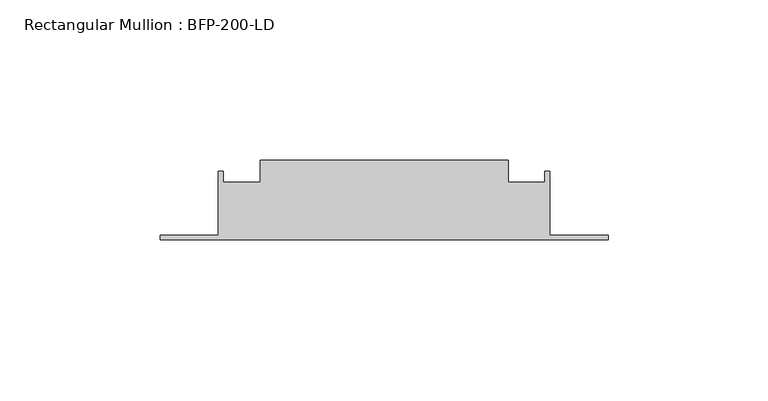
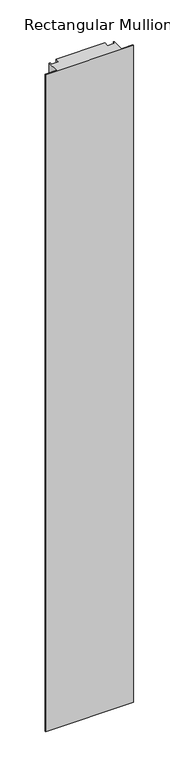
"""IFC4 building model written with IfcOpenShell, lengths in millimetres: member geometry, Rectangular Mullion : BFP-200-LD."""

import ifcopenshell
import ifcopenshell.guid

model = None  # the IFC model being written
_history = None  # IfcOwnerHistory: only IFC2X3 demands one
_inside = {}  # id of a spatial element -> (the spatial element, [elements in it])
_under = {}  # id of a project, library or spatial element -> (it, [spatial elements below it])
_declared = {}  # id of a project -> (the project, [libraries it declares])
_typed = {}  # id of a type object -> (the type object, [elements of that type])
_made_of = {}  # id of a material, layer set ... -> (it, [elements and type objects made of it])


def new_model(schema):
    """Start an empty IFC model of exactly this schema.

    Asked for "IFC4X3", IfcOpenShell would pick the latest addendum, in which some entities
    have other attributes; the version numbers below select the first issue.
    IFC2X3 requires an IfcOwnerHistory on every rooted entity: one is made here for all.
    """
    global model, _history
    if schema == "IFC4X3":
        model = ifcopenshell.file(schema_version=(4, 3, 0, 0))
    else:
        model = ifcopenshell.file(schema=schema)
    _inside.clear()
    _under.clear()
    _declared.clear()
    _typed.clear()
    _made_of.clear()
    _history = None
    if model.schema == "IFC2X3":
        org = make("IfcOrganization", Name="unknown")
        user = make(
            "IfcPersonAndOrganization",
            ThePerson=make("IfcPerson", FamilyName="unknown"),
            TheOrganization=org,
        )
        app = make(
            "IfcApplication",
            ApplicationDeveloper=org,
            Version="unknown",
            ApplicationFullName="unknown",
            ApplicationIdentifier="unknown",
        )
        _history = make(
            "IfcOwnerHistory",
            OwningUser=user,
            OwningApplication=app,
            ChangeAction="ADDED",
            CreationDate=0,
        )
    return model


def make(cls, **values):
    """One entity of the class cls with the attributes given. An attribute that is None is left unset."""
    return model.create_entity(
        cls, **{name: value for name, value in values.items() if value is not None}
    )


def rooted(cls, **values):
    """An entity with a GlobalId (a new one), such as an element, a storey or a relation."""
    return make(cls, GlobalId=ifcopenshell.guid.new(), OwnerHistory=_history, **values)


def si_unit(unit_type, name, prefix=None):
    """IfcSIUnit, for example si_unit("LENGTHUNIT", "METRE", prefix="MILLI")."""
    return make("IfcSIUnit", UnitType=unit_type, Prefix=prefix, Name=name)


def assignment(units):
    """IfcUnitAssignment: the units of a project."""
    return None if units is None else make("IfcUnitAssignment", Units=units)


def point(xyz):
    """IfcCartesianPoint."""
    return None if xyz is None else make("IfcCartesianPoint", Coordinates=xyz)


def direction(xyz):
    """IfcDirection."""
    return None if xyz is None else make("IfcDirection", DirectionRatios=xyz)


def frame(location, z_axis=None, x_axis=None):
    """IfcAxis2Placement3D, a coordinate frame: its origin and axes. An axis left out is left unset."""
    return make(
        "IfcAxis2Placement3D",
        Location=point(location),
        Axis=direction(z_axis),
        RefDirection=direction(x_axis),
    )


def origin():
    """The frame at (0, 0, 0) with its axes left unset."""
    return frame((0.0, 0.0, 0.0))


def place(relative_to, where):
    """IfcLocalPlacement: puts the frame where relative to a parent placement (None: the world)."""
    return make(
        "IfcLocalPlacement", PlacementRelTo=relative_to, RelativePlacement=where
    )


def context(
    kind, dimensions, precision=None, world=None, true_north=None, identifier=None
):
    """IfcGeometricRepresentationContext, for example the 3D "Model" context."""
    return make(
        "IfcGeometricRepresentationContext",
        ContextIdentifier=identifier,
        ContextType=kind,
        CoordinateSpaceDimension=dimensions,
        Precision=precision,
        WorldCoordinateSystem=world,
        TrueNorth=true_north,
    )


def project(units=None, contexts=None):
    """IfcProject with its units and contexts."""
    return rooted(
        "IfcProject",
        Name="project",
        RepresentationContexts=contexts,
        UnitsInContext=assignment(units),
    )


def spatial(cls, under=None, at=None, **own):
    """A site, building, storey or space (cls), placed at a placement, below another one or the project."""
    s = rooted(cls, ObjectPlacement=at, **own)
    if under is not None:
        _under.setdefault(under.id(), (under, []))[1].append(s)
    return s


def polyline(points):
    """IfcPolyline through the points."""
    return make("IfcPolyline", Points=[point(p) for p in points])


def outline(outer, holes=None, kind="AREA"):
    """IfcArbitraryClosedProfileDef: a profile drawn as a closed curve; with holes, ...WithVoids."""
    if holes is None:
        return make("IfcArbitraryClosedProfileDef", ProfileType=kind, OuterCurve=outer)
    return make(
        "IfcArbitraryProfileDefWithVoids",
        ProfileType=kind,
        OuterCurve=outer,
        InnerCurves=holes,
    )


def extrude(swept, where, along, depth):
    """IfcExtrudedAreaSolid: the profile swept, set in the frame where, extruded along a direction by depth."""
    return make(
        "IfcExtrudedAreaSolid",
        SweptArea=swept,
        Position=where,
        ExtrudedDirection=direction(along),
        Depth=depth,
    )


def shape(context_of_items, identifier, shape_type, items):
    """IfcShapeRepresentation: the items that make up one representation, for example the "Body"."""
    return make(
        "IfcShapeRepresentation",
        ContextOfItems=context_of_items,
        RepresentationIdentifier=identifier,
        RepresentationType=shape_type,
        Items=items,
    )


def source(mapping_origin, context_of_items, identifier, shape_type, items):
    """IfcRepresentationMap: a shape defined once, which mapped items show again and again."""
    return make(
        "IfcRepresentationMap",
        MappingOrigin=mapping_origin,
        MappedRepresentation=shape(context_of_items, identifier, shape_type, items),
    )


def transform(
    local_origin,
    x_axis=None,
    y_axis=None,
    z_axis=None,
    scale=None,
    scale2=None,
    scale3=None,
    uniform=True,
):
    """IfcCartesianTransformationOperator3D, or its non-uniform kind. x_axis, y_axis, z_axis: its Axis1, 2, 3."""
    if uniform:
        return make(
            "IfcCartesianTransformationOperator3D",
            Axis1=direction(x_axis),
            Axis2=direction(y_axis),
            LocalOrigin=point(local_origin),
            Scale=scale,
            Axis3=direction(z_axis),
        )
    return make(
        "IfcCartesianTransformationOperator3DnonUniform",
        Axis1=direction(x_axis),
        Axis2=direction(y_axis),
        LocalOrigin=point(local_origin),
        Scale=scale,
        Axis3=direction(z_axis),
        Scale2=scale2,
        Scale3=scale3,
    )


def mapped(mapping_source, mapping_target):
    """IfcMappedItem: shows the shape of a source again, moved by a transform."""
    return make(
        "IfcMappedItem", MappingSource=mapping_source, MappingTarget=mapping_target
    )


def made_of(thing, what):
    """Note that an element or type object is made of a material, layer set ...; save() writes the relation."""
    if what is not None:
        _made_of.setdefault(what.id(), (what, []))[1].append(thing)
    return thing


def element(
    cls,
    number,
    at=None,
    inside=None,
    cuts=None,
    type_object=None,
    material=None,
    context=None,
    identifier="Body",
    shape_type=None,
    held_by="IfcProductDefinitionShape",
    body=None,
    shapes=None,
    **own,
):
    """One element of the class cls, such as IfcWall. Its Tag is "e" and its number.

    at: its placement. inside: the storey or other place that contains it. cuts: it is an
    opening in that element (IfcRelVoidsElement). A single representation is given by context,
    identifier, shape_type and body (its items); several are given by shapes. held_by: the class
    of the entity that holds the representations. save() writes the other relations.
    """
    e = rooted(cls, Tag="e%d" % number, ObjectPlacement=at, **own)
    if body is not None:
        shapes = [shape(context, identifier, shape_type, body)]
    if shapes is not None:
        e.Representation = make(held_by, Representations=shapes)
    if inside is not None:
        _inside.setdefault(inside.id(), (inside, []))[1].append(e)
    if cuts is not None:
        rooted(
            "IfcRelVoidsElement", RelatingBuildingElement=cuts, RelatedOpeningElement=e
        )
    if type_object is not None:
        _typed.setdefault(type_object.id(), (type_object, []))[1].append(e)
    return made_of(e, material)


def aggregate(whole, parts):
    """IfcRelAggregates: a whole, such as a stair, and the parts it consists of."""
    return rooted("IfcRelAggregates", RelatingObject=whole, RelatedObjects=parts)


def save(model, path):
    """Write the relations noted so far, then the file.

    IfcRelAggregates (storeys below a building ...), IfcRelContainedInSpatialStructure (elements
    in a storey), IfcRelDefinesByType, IfcRelAssociatesMaterial and IfcRelDeclares: one each for
    every whole, place, type object, material and project.
    """
    for whole, parts in _under.values():
        aggregate(whole, parts)
    for where, things in _inside.values():
        rooted(
            "IfcRelContainedInSpatialStructure",
            RelatedElements=things,
            RelatingStructure=where,
        )
    for kind, things in _typed.values():
        rooted("IfcRelDefinesByType", RelatedObjects=things, RelatingType=kind)
    for what, things in _made_of.values():
        rooted("IfcRelAssociatesMaterial", RelatedObjects=things, RelatingMaterial=what)
    for by, libraries in _declared.values():
        rooted("IfcRelDeclares", RelatingContext=by, RelatedDefinitions=libraries)
    model.write(path)


def rectangular_mullion_bfp_200_ld_a49fdc83(model_context):
    return source(origin(), model_context, "Body", "SweptSolid", [
        extrude(outline(polyline([(-38.75, 45.0), (38.75, 45.0), (38.75, 38.0), (50.25, 38.0), (50.25, 41.5), (51.75, 41.5), (51.75, 21.5), (70.0, 21.5), (70.0, 20.0), (-70.0, 20.0), (-70.0, 21.5), (-51.75, 21.5), (-51.75, 41.5), (-50.25, 41.5), (-50.25, 38.0), (-38.75, 38.0), (-38.75, 45.0)])), frame((0.0, 0.0, -1100.0), z_axis=(0.0, 0.0, 1.0), x_axis=(1.0, 0.0, 0.0)), (0.0, 0.0, 1.0), 1100.0),
    ])


if __name__ == "__main__":
    model = new_model("IFC4")
    model_context = context("Model", 3, world=origin())
    ifc_project = project(units=[si_unit("LENGTHUNIT", "METRE", prefix="MILLI")], contexts=[model_context])
    site = spatial("IfcSite", under=ifc_project)
    building = spatial("IfcBuilding", under=site)
    placement = place(None, origin())
    rectangular_mullion_bfp_200_ld_shape = rectangular_mullion_bfp_200_ld_a49fdc83(model_context)
    element("IfcMember", 1, ObjectType="Rectangular Mullion : BFP-200-LD", at=placement, inside=building, context=model_context, shape_type="MappedRepresentation", body=[
        mapped(rectangular_mullion_bfp_200_ld_shape, transform((0.0, 0.0, 0.0), x_axis=(1.0, 0.0, 0.0), y_axis=(0.0, 1.0, 0.0), z_axis=(0.0, 0.0, 1.0))),
    ])
    save(model, "model.ifc")
